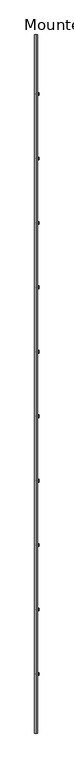
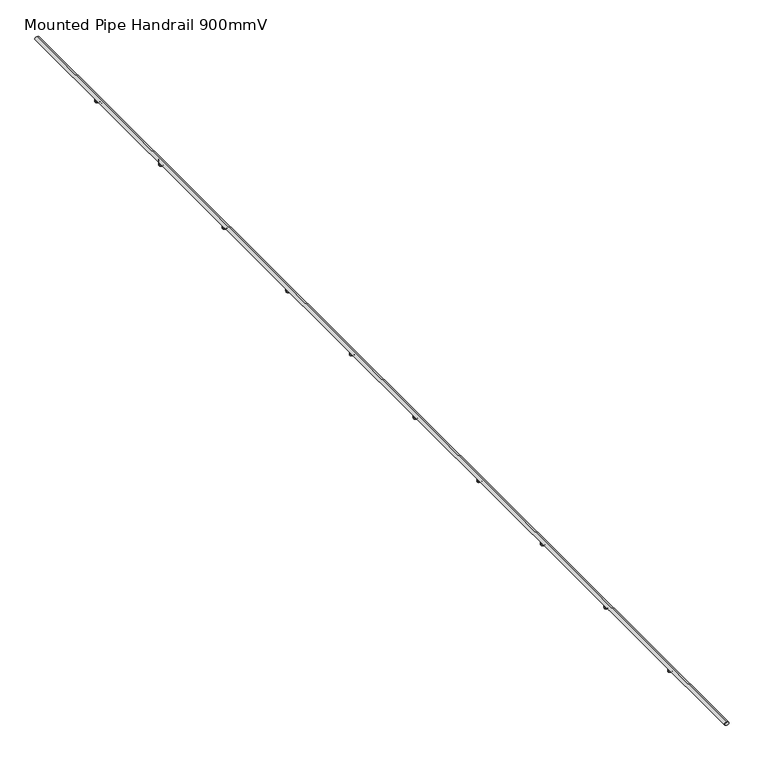
"""IFC4 building model written with IfcOpenShell, lengths in millimetres: railing geometry, Mounted Pipe Handrail 900mmV."""

from ifc_helpers import new_model, si_unit, point, frame, frame_2d, origin, place, context, project, spatial, circle_curve, ellipse_curve, trimmed, segment, composite_curve, outline, extrude, source, transform, mapped, element, save
from ifc_brep_helpers import plane_surface, cylinder_surface, revolved_surface, extruded_surface, advanced_brep


def mounted_pipe_handrail_900mmv_3c9dcf91(model_context):
    return source(origin(), model_context, "Body", "SolidModel", [
        advanced_brep(
        [(-13673.1278716, -42074.4215594, 917.5), (-13673.1278716, -42074.4215594, 882.5), (-13673.1278716, -29074.4215594, 917.5), (-13673.1278716, -29074.4215594, 882.5)],
        [
            (0, 1, ellipse_curve(frame((-13673.1278716, -42074.4215594, 900.0), z_axis=(0.0, -1.0, 0.0), x_axis=(0.0, 0.0, -1.0)), 17.5, 25.0)),
            (1, 0, ellipse_curve(frame((-13673.1278716, -42074.4215594, 900.0), z_axis=(0.0, -1.0, 0.0), x_axis=(0.0, 0.0, -1.0)), 17.5, 25.0)),
            (2, 3, ellipse_curve(frame((-13673.1278716, -29074.4215594, 900.0), z_axis=(0.0, 1.0, 0.0), x_axis=(0.0, 0.0, -1.0)), 17.5, 25.0)),
            (3, 2, ellipse_curve(frame((-13673.1278716, -29074.4215594, 900.0), z_axis=(0.0, 1.0, 0.0), x_axis=(0.0, 0.0, -1.0)), 17.5, 25.0)),
            (0, 2),
            (3, 1),
        ],
        [
            plane_surface(frame((-13673.1278716, -42074.4215594, 900.0), z_axis=(0.0, -1.0, 0.0), x_axis=(0.0, 0.0, 1.0))),
            plane_surface(frame((-13673.1278716, -29074.4215594, 900.0), z_axis=(0.0, 1.0, 0.0), x_axis=(0.0, 0.0, 1.0))),
            extruded_surface(trimmed(ellipse_curve(frame((-13673.1278716, -29074.4215594, 900.0), z_axis=(0.0, -1.0, 0.0), x_axis=(0.0, 0.0, -1.0)), 17.5, 25.0), [point((-13673.1278716, -29074.4215594, 917.5))], [point((-13673.1278716, -29074.4215594, 882.5))], True, "CARTESIAN"), (0.0, -12999.999999999996, 0.0), 12999.999999999996),
            extruded_surface(trimmed(ellipse_curve(frame((-13673.1278716, -29074.4215594, 900.0), z_axis=(0.0, -1.0, 0.0), x_axis=(0.0, 0.0, -1.0)), 17.5, 25.0), [point((-13673.1278716, -29074.4215594, 882.5))], [point((-13673.1278716, -29074.4215594, 917.5))], True, "CARTESIAN"), (0.0, -12999.999999999996, 0.0), 12999.999999999996),
        ],
        [
            (0, [[1, 2]]),
            (1, [[3, 4]]),
            (2, [[-1, 5, -4, 6]]),
            (3, [[-2, -6, -3, -5]]),
        ],
    ),
        advanced_brep(
        [(-13673.1278716, -30180.7715594, 900.95), (-13673.1278716, -30168.0715594, 900.95), (-13673.1278716, -30180.7715594, 843.8), (-13673.1278716, -30168.0715594, 843.8), (-13654.0778716, -30168.0715594, 824.75), (-13654.0778716, -30180.7715594, 824.75), (-13625.5028716, -30180.7715594, 824.75), (-13625.5028716, -30168.0715594, 824.75)],
        [
            (0, 1, circle_curve(frame((-13673.1278716, -30174.4215594, 900.95), z_axis=(0.0, 0.0, 1.0), x_axis=(0.0, 1.0, 0.0)), 6.35)),
            (1, 0, circle_curve(frame((-13673.1278716, -30174.4215594, 900.95), z_axis=(0.0, 0.0, 1.0), x_axis=(0.0, 1.0, 0.0)), 6.35)),
            (0, 2),
            (2, 3, circle_curve(frame((-13673.1278716, -30174.4215594, 843.8), z_axis=(0.0, 0.0, 1.0), x_axis=(0.0, 1.0, 0.0)), 6.35)),
            (3, 1),
            (3, 2, circle_curve(frame((-13673.1278716, -30174.4215594, 843.8), z_axis=(0.0, 0.0, 1.0), x_axis=(0.0, 1.0, 0.0)), 6.35)),
            (4, 3, circle_curve(frame((-13654.0778716, -30168.0715594, 843.8), z_axis=(0.0, 1.0, 0.0), x_axis=(-1.0, 0.0, 0.0)), 19.05)),
            (2, 5, circle_curve(frame((-13654.0778716, -30180.7715594, 843.8), z_axis=(0.0, -1.0, 0.0), x_axis=(-1.0, 0.0, 0.0)), 19.05)),
            (5, 4, circle_curve(frame((-13654.0778716, -30174.4215594, 824.75), z_axis=(-1.0, 0.0, 0.0), x_axis=(0.0, 1.0, 0.0)), 6.35)),
            (4, 5, circle_curve(frame((-13654.0778716, -30174.4215594, 824.75), z_axis=(-1.0, 0.0, 0.0), x_axis=(0.0, 1.0, 0.0)), 6.35)),
            (6, 7, circle_curve(frame((-13625.5028716, -30174.4215594, 824.75), z_axis=(1.0, 0.0, 0.0), x_axis=(0.0, 1.0, 0.0)), 6.35)),
            (7, 6, circle_curve(frame((-13625.5028716, -30174.4215594, 824.75), z_axis=(1.0, 0.0, 0.0), x_axis=(0.0, 1.0, 0.0)), 6.35)),
            (5, 6),
            (7, 4),
        ],
        [
            plane_surface(frame((-13673.1278716, -30168.0715594, 900.95), z_axis=(0.0, 0.0, 1.0), x_axis=(1.0, 0.0, 0.0))),
            cylinder_surface(frame((-13673.1278716, -30174.4215594, 900.95), z_axis=(0.0, 0.0, 1.0), x_axis=(0.0, 1.0, 0.0)), 6.35),
            revolved_surface(trimmed(ellipse_curve(frame((-13673.1278716, -30174.4215594, 843.8), z_axis=(0.0, 0.0, 1.0), x_axis=(0.0, 1.0, 0.0)), 6.35, 6.35), [point((-13673.1278716, -30180.7715594, 843.8))], [point((-13673.1278716, -30168.0715594, 843.8))], True, "CARTESIAN"), (-13654.0778716, -30174.4215594, 843.8), (0.0, -1.0, 0.0)),
            revolved_surface(trimmed(ellipse_curve(frame((-13673.1278716, -30174.4215594, 843.8), z_axis=(0.0, 0.0, 1.0), x_axis=(0.0, 1.0, 0.0)), 6.35, 6.35), [point((-13673.1278716, -30168.0715594, 843.8))], [point((-13673.1278716, -30180.7715594, 843.8))], True, "CARTESIAN"), (-13654.0778716, -30174.4215594, 843.8), (0.0, -1.0, 0.0)),
            plane_surface(frame((-13625.5028716, -30174.4215594, 818.4), z_axis=(1.0, 0.0, 0.0), x_axis=(0.0, 1.0, 0.0))),
            cylinder_surface(frame((-13654.0778716, -30174.4215594, 824.75), z_axis=(-1.0, 0.0, 0.0), x_axis=(0.0, 1.0, 0.0)), 6.35),
        ],
        [
            (0, [[1, 2]]),
            (1, [[-1, 3, 4, 5]]),
            (1, [[-2, -5, 6, -3]]),
            (2, [[7, -4, 8, 9]]),
            (3, [[-8, -6, -7, 10]]),
            (4, [[11, 12]]),
            (5, [[-9, 13, -12, 14]]),
            (5, [[-10, -14, -11, -13]]),
        ],
    ),
        extrude(outline(composite_curve([segment(trimmed(circle_curve(frame_2d((-30174.4215594, 824.75)), 25.4), [point((-30149.0215594, 824.75))], [point((-30199.8215594, 824.75))], False, "CARTESIAN"), True, "CONTINUOUS"), segment(trimmed(circle_curve(frame_2d((-30174.4215594, 824.75)), 25.4), [point((-30199.8215594, 824.75))], [point((-30149.0215594, 824.75))], False, "CARTESIAN"), True, "CONTINUOUS")], self_intersect=False)), frame((-13625.5028716, 0.0, 0.0), z_axis=(1.0, 0.0, 0.0), x_axis=(0.0, 1.0, 0.0)), (0.0, 0.0, 1.0), 9.525),
        advanced_brep(
        [(-13673.1278716, -31380.7715594, 900.95), (-13673.1278716, -31368.0715594, 900.95), (-13673.1278716, -31380.7715594, 843.8), (-13673.1278716, -31368.0715594, 843.8), (-13654.0778716, -31368.0715594, 824.75), (-13654.0778716, -31380.7715594, 824.75), (-13625.5028716, -31380.7715594, 824.75), (-13625.5028716, -31368.0715594, 824.75)],
        [
            (0, 1, circle_curve(frame((-13673.1278716, -31374.4215594, 900.95), z_axis=(0.0, 0.0, 1.0), x_axis=(0.0, 1.0, 0.0)), 6.35)),
            (1, 0, circle_curve(frame((-13673.1278716, -31374.4215594, 900.95), z_axis=(0.0, 0.0, 1.0), x_axis=(0.0, 1.0, 0.0)), 6.35)),
            (0, 2),
            (2, 3, circle_curve(frame((-13673.1278716, -31374.4215594, 843.8), z_axis=(0.0, 0.0, 1.0), x_axis=(0.0, 1.0, 0.0)), 6.35)),
            (3, 1),
            (3, 2, circle_curve(frame((-13673.1278716, -31374.4215594, 843.8), z_axis=(0.0, 0.0, 1.0), x_axis=(0.0, 1.0, 0.0)), 6.35)),
            (4, 3, circle_curve(frame((-13654.0778716, -31368.0715594, 843.8), z_axis=(0.0, 1.0, 0.0), x_axis=(-1.0, 0.0, 0.0)), 19.05)),
            (2, 5, circle_curve(frame((-13654.0778716, -31380.7715594, 843.8), z_axis=(0.0, -1.0, 0.0), x_axis=(-1.0, 0.0, 0.0)), 19.05)),
            (5, 4, circle_curve(frame((-13654.0778716, -31374.4215594, 824.75), z_axis=(-1.0, 0.0, 0.0), x_axis=(0.0, 1.0, 0.0)), 6.35)),
            (4, 5, circle_curve(frame((-13654.0778716, -31374.4215594, 824.75), z_axis=(-1.0, 0.0, 0.0), x_axis=(0.0, 1.0, 0.0)), 6.35)),
            (6, 7, circle_curve(frame((-13625.5028716, -31374.4215594, 824.75), z_axis=(1.0, 0.0, 0.0), x_axis=(0.0, 1.0, 0.0)), 6.35)),
            (7, 6, circle_curve(frame((-13625.5028716, -31374.4215594, 824.75), z_axis=(1.0, 0.0, 0.0), x_axis=(0.0, 1.0, 0.0)), 6.35)),
            (5, 6),
            (7, 4),
        ],
        [
            plane_surface(frame((-13673.1278716, -31368.0715594, 900.95), z_axis=(0.0, 0.0, 1.0), x_axis=(1.0, 0.0, 0.0))),
            cylinder_surface(frame((-13673.1278716, -31374.4215594, 900.95), z_axis=(0.0, 0.0, 1.0), x_axis=(0.0, 1.0, 0.0)), 6.35),
            revolved_surface(trimmed(ellipse_curve(frame((-13673.1278716, -31374.4215594, 843.8), z_axis=(0.0, 0.0, 1.0), x_axis=(0.0, 1.0, 0.0)), 6.35, 6.35), [point((-13673.1278716, -31380.7715594, 843.8))], [point((-13673.1278716, -31368.0715594, 843.8))], True, "CARTESIAN"), (-13654.0778716, -31374.4215594, 843.8), (0.0, -1.0, 0.0)),
            revolved_surface(trimmed(ellipse_curve(frame((-13673.1278716, -31374.4215594, 843.8), z_axis=(0.0, 0.0, 1.0), x_axis=(0.0, 1.0, 0.0)), 6.35, 6.35), [point((-13673.1278716, -31368.0715594, 843.8))], [point((-13673.1278716, -31380.7715594, 843.8))], True, "CARTESIAN"), (-13654.0778716, -31374.4215594, 843.8), (0.0, -1.0, 0.0)),
            plane_surface(frame((-13625.5028716, -31374.4215594, 818.4), z_axis=(1.0, 0.0, 0.0), x_axis=(0.0, 1.0, 0.0))),
            cylinder_surface(frame((-13654.0778716, -31374.4215594, 824.75), z_axis=(-1.0, 0.0, 0.0), x_axis=(0.0, 1.0, 0.0)), 6.35),
        ],
        [
            (0, [[1, 2]]),
            (1, [[-1, 3, 4, 5]]),
            (1, [[-2, -5, 6, -3]]),
            (2, [[7, -4, 8, 9]]),
            (3, [[-8, -6, -7, 10]]),
            (4, [[11, 12]]),
            (5, [[-9, 13, -12, 14]]),
            (5, [[-10, -14, -11, -13]]),
        ],
    ),
        extrude(outline(composite_curve([segment(trimmed(circle_curve(frame_2d((-31374.4215594, 824.75)), 25.4), [point((-31349.0215594, 824.75))], [point((-31399.8215594, 824.75))], False, "CARTESIAN"), True, "CONTINUOUS"), segment(trimmed(circle_curve(frame_2d((-31374.4215594, 824.75)), 25.4), [point((-31399.8215594, 824.75))], [point((-31349.0215594, 824.75))], False, "CARTESIAN"), True, "CONTINUOUS")], self_intersect=False)), frame((-13625.5028716, 0.0, 0.0), z_axis=(1.0, 0.0, 0.0), x_axis=(0.0, 1.0, 0.0)), (0.0, 0.0, 1.0), 9.525),
        advanced_brep(
        [(-13673.1278716, -32580.7715594, 900.95), (-13673.1278716, -32568.0715594, 900.95), (-13673.1278716, -32580.7715594, 843.8), (-13673.1278716, -32568.0715594, 843.8), (-13654.0778716, -32568.0715594, 824.75), (-13654.0778716, -32580.7715594, 824.75), (-13625.5028716, -32580.7715594, 824.75), (-13625.5028716, -32568.0715594, 824.75)],
        [
            (0, 1, circle_curve(frame((-13673.1278716, -32574.4215594, 900.95), z_axis=(0.0, 0.0, 1.0), x_axis=(0.0, 1.0, 0.0)), 6.35)),
            (1, 0, circle_curve(frame((-13673.1278716, -32574.4215594, 900.95), z_axis=(0.0, 0.0, 1.0), x_axis=(0.0, 1.0, 0.0)), 6.35)),
            (0, 2),
            (2, 3, circle_curve(frame((-13673.1278716, -32574.4215594, 843.8), z_axis=(0.0, 0.0, 1.0), x_axis=(0.0, 1.0, 0.0)), 6.35)),
            (3, 1),
            (3, 2, circle_curve(frame((-13673.1278716, -32574.4215594, 843.8), z_axis=(0.0, 0.0, 1.0), x_axis=(0.0, 1.0, 0.0)), 6.35)),
            (4, 3, circle_curve(frame((-13654.0778716, -32568.0715594, 843.8), z_axis=(0.0, 1.0, 0.0), x_axis=(-1.0, 0.0, 0.0)), 19.05)),
            (2, 5, circle_curve(frame((-13654.0778716, -32580.7715594, 843.8), z_axis=(0.0, -1.0, 0.0), x_axis=(-1.0, 0.0, 0.0)), 19.05)),
            (5, 4, circle_curve(frame((-13654.0778716, -32574.4215594, 824.75), z_axis=(-1.0, 0.0, 0.0), x_axis=(0.0, 1.0, 0.0)), 6.35)),
            (4, 5, circle_curve(frame((-13654.0778716, -32574.4215594, 824.75), z_axis=(-1.0, 0.0, 0.0), x_axis=(0.0, 1.0, 0.0)), 6.35)),
            (6, 7, circle_curve(frame((-13625.5028716, -32574.4215594, 824.75), z_axis=(1.0, 0.0, 0.0), x_axis=(0.0, 1.0, 0.0)), 6.35)),
            (7, 6, circle_curve(frame((-13625.5028716, -32574.4215594, 824.75), z_axis=(1.0, 0.0, 0.0), x_axis=(0.0, 1.0, 0.0)), 6.35)),
            (5, 6),
            (7, 4),
        ],
        [
            plane_surface(frame((-13673.1278716, -32568.0715594, 900.95), z_axis=(0.0, 0.0, 1.0), x_axis=(1.0, 0.0, 0.0))),
            cylinder_surface(frame((-13673.1278716, -32574.4215594, 900.95), z_axis=(0.0, 0.0, 1.0), x_axis=(0.0, 1.0, 0.0)), 6.35),
            revolved_surface(trimmed(ellipse_curve(frame((-13673.1278716, -32574.4215594, 843.8), z_axis=(0.0, 0.0, 1.0), x_axis=(0.0, 1.0, 0.0)), 6.35, 6.35), [point((-13673.1278716, -32580.7715594, 843.8))], [point((-13673.1278716, -32568.0715594, 843.8))], True, "CARTESIAN"), (-13654.0778716, -32574.4215594, 843.8), (0.0, -1.0, 0.0)),
            revolved_surface(trimmed(ellipse_curve(frame((-13673.1278716, -32574.4215594, 843.8), z_axis=(0.0, 0.0, 1.0), x_axis=(0.0, 1.0, 0.0)), 6.35, 6.35), [point((-13673.1278716, -32568.0715594, 843.8))], [point((-13673.1278716, -32580.7715594, 843.8))], True, "CARTESIAN"), (-13654.0778716, -32574.4215594, 843.8), (0.0, -1.0, 0.0)),
            plane_surface(frame((-13625.5028716, -32574.4215594, 818.4), z_axis=(1.0, 0.0, 0.0), x_axis=(0.0, 1.0, 0.0))),
            cylinder_surface(frame((-13654.0778716, -32574.4215594, 824.75), z_axis=(-1.0, 0.0, 0.0), x_axis=(0.0, 1.0, 0.0)), 6.35),
        ],
        [
            (0, [[1, 2]]),
            (1, [[-1, 3, 4, 5]]),
            (1, [[-2, -5, 6, -3]]),
            (2, [[7, -4, 8, 9]]),
            (3, [[-8, -6, -7, 10]]),
            (4, [[11, 12]]),
            (5, [[-9, 13, -12, 14]]),
            (5, [[-10, -14, -11, -13]]),
        ],
    ),
        extrude(outline(composite_curve([segment(trimmed(circle_curve(frame_2d((-32574.4215594, 824.75)), 25.4), [point((-32549.0215594, 824.75))], [point((-32599.8215594, 824.75))], False, "CARTESIAN"), True, "CONTINUOUS"), segment(trimmed(circle_curve(frame_2d((-32574.4215594, 824.75)), 25.4), [point((-32599.8215594, 824.75))], [point((-32549.0215594, 824.75))], False, "CARTESIAN"), True, "CONTINUOUS")], self_intersect=False)), frame((-13625.5028716, 0.0, 0.0), z_axis=(1.0, 0.0, 0.0), x_axis=(0.0, 1.0, 0.0)), (0.0, 0.0, 1.0), 9.525),
        advanced_brep(
        [(-13673.1278716, -33780.7715594, 900.95), (-13673.1278716, -33768.0715594, 900.95), (-13673.1278716, -33780.7715594, 843.8), (-13673.1278716, -33768.0715594, 843.8), (-13654.0778716, -33768.0715594, 824.75), (-13654.0778716, -33780.7715594, 824.75), (-13625.5028716, -33780.7715594, 824.75), (-13625.5028716, -33768.0715594, 824.75)],
        [
            (0, 1, circle_curve(frame((-13673.1278716, -33774.4215594, 900.95), z_axis=(0.0, 0.0, 1.0), x_axis=(0.0, 1.0, 0.0)), 6.35)),
            (1, 0, circle_curve(frame((-13673.1278716, -33774.4215594, 900.95), z_axis=(0.0, 0.0, 1.0), x_axis=(0.0, 1.0, 0.0)), 6.35)),
            (0, 2),
            (2, 3, circle_curve(frame((-13673.1278716, -33774.4215594, 843.8), z_axis=(0.0, 0.0, 1.0), x_axis=(0.0, 1.0, 0.0)), 6.35)),
            (3, 1),
            (3, 2, circle_curve(frame((-13673.1278716, -33774.4215594, 843.8), z_axis=(0.0, 0.0, 1.0), x_axis=(0.0, 1.0, 0.0)), 6.35)),
            (4, 3, circle_curve(frame((-13654.0778716, -33768.0715594, 843.8), z_axis=(0.0, 1.0, 0.0), x_axis=(-1.0, 0.0, 0.0)), 19.05)),
            (2, 5, circle_curve(frame((-13654.0778716, -33780.7715594, 843.8), z_axis=(0.0, -1.0, 0.0), x_axis=(-1.0, 0.0, 0.0)), 19.05)),
            (5, 4, circle_curve(frame((-13654.0778716, -33774.4215594, 824.75), z_axis=(-1.0, 0.0, 0.0), x_axis=(0.0, 1.0, 0.0)), 6.35)),
            (4, 5, circle_curve(frame((-13654.0778716, -33774.4215594, 824.75), z_axis=(-1.0, 0.0, 0.0), x_axis=(0.0, 1.0, 0.0)), 6.35)),
            (6, 7, circle_curve(frame((-13625.5028716, -33774.4215594, 824.75), z_axis=(1.0, 0.0, 0.0), x_axis=(0.0, 1.0, 0.0)), 6.35)),
            (7, 6, circle_curve(frame((-13625.5028716, -33774.4215594, 824.75), z_axis=(1.0, 0.0, 0.0), x_axis=(0.0, 1.0, 0.0)), 6.35)),
            (5, 6),
            (7, 4),
        ],
        [
            plane_surface(frame((-13673.1278716, -33768.0715594, 900.95), z_axis=(0.0, 0.0, 1.0), x_axis=(1.0, 0.0, 0.0))),
            cylinder_surface(frame((-13673.1278716, -33774.4215594, 900.95), z_axis=(0.0, 0.0, 1.0), x_axis=(0.0, 1.0, 0.0)), 6.35),
            revolved_surface(trimmed(ellipse_curve(frame((-13673.1278716, -33774.4215594, 843.8), z_axis=(0.0, 0.0, 1.0), x_axis=(0.0, 1.0, 0.0)), 6.35, 6.35), [point((-13673.1278716, -33780.7715594, 843.8))], [point((-13673.1278716, -33768.0715594, 843.8))], True, "CARTESIAN"), (-13654.0778716, -33774.4215594, 843.8), (0.0, -1.0, 0.0)),
            revolved_surface(trimmed(ellipse_curve(frame((-13673.1278716, -33774.4215594, 843.8), z_axis=(0.0, 0.0, 1.0), x_axis=(0.0, 1.0, 0.0)), 6.35, 6.35), [point((-13673.1278716, -33768.0715594, 843.8))], [point((-13673.1278716, -33780.7715594, 843.8))], True, "CARTESIAN"), (-13654.0778716, -33774.4215594, 843.8), (0.0, -1.0, 0.0)),
            plane_surface(frame((-13625.5028716, -33774.4215594, 818.4), z_axis=(1.0, 0.0, 0.0), x_axis=(0.0, 1.0, 0.0))),
            cylinder_surface(frame((-13654.0778716, -33774.4215594, 824.75), z_axis=(-1.0, 0.0, 0.0), x_axis=(0.0, 1.0, 0.0)), 6.35),
        ],
        [
            (0, [[1, 2]]),
            (1, [[-1, 3, 4, 5]]),
            (1, [[-2, -5, 6, -3]]),
            (2, [[7, -4, 8, 9]]),
            (3, [[-8, -6, -7, 10]]),
            (4, [[11, 12]]),
            (5, [[-9, 13, -12, 14]]),
            (5, [[-10, -14, -11, -13]]),
        ],
    ),
        extrude(outline(composite_curve([segment(trimmed(circle_curve(frame_2d((-33774.4215594, 824.75)), 25.4), [point((-33749.0215594, 824.75))], [point((-33799.8215594, 824.75))], False, "CARTESIAN"), True, "CONTINUOUS"), segment(trimmed(circle_curve(frame_2d((-33774.4215594, 824.75)), 25.4), [point((-33799.8215594, 824.75))], [point((-33749.0215594, 824.75))], False, "CARTESIAN"), True, "CONTINUOUS")], self_intersect=False)), frame((-13625.5028716, 0.0, 0.0), z_axis=(1.0, 0.0, 0.0), x_axis=(0.0, 1.0, 0.0)), (0.0, 0.0, 1.0), 9.525),
        advanced_brep(
        [(-13673.1278716, -34980.7715594, 900.95), (-13673.1278716, -34968.0715594, 900.95), (-13673.1278716, -34980.7715594, 843.8), (-13673.1278716, -34968.0715594, 843.8), (-13654.0778716, -34968.0715594, 824.75), (-13654.0778716, -34980.7715594, 824.75), (-13625.5028716, -34980.7715594, 824.75), (-13625.5028716, -34968.0715594, 824.75)],
        [
            (0, 1, circle_curve(frame((-13673.1278716, -34974.4215594, 900.95), z_axis=(0.0, 0.0, 1.0), x_axis=(0.0, 1.0, 0.0)), 6.35)),
            (1, 0, circle_curve(frame((-13673.1278716, -34974.4215594, 900.95), z_axis=(0.0, 0.0, 1.0), x_axis=(0.0, 1.0, 0.0)), 6.35)),
            (0, 2),
            (2, 3, circle_curve(frame((-13673.1278716, -34974.4215594, 843.8), z_axis=(0.0, 0.0, 1.0), x_axis=(0.0, 1.0, 0.0)), 6.35)),
            (3, 1),
            (3, 2, circle_curve(frame((-13673.1278716, -34974.4215594, 843.8), z_axis=(0.0, 0.0, 1.0), x_axis=(0.0, 1.0, 0.0)), 6.35)),
            (4, 3, circle_curve(frame((-13654.0778716, -34968.0715594, 843.8), z_axis=(0.0, 1.0, 0.0), x_axis=(-1.0, 0.0, 0.0)), 19.05)),
            (2, 5, circle_curve(frame((-13654.0778716, -34980.7715594, 843.8), z_axis=(0.0, -1.0, 0.0), x_axis=(-1.0, 0.0, 0.0)), 19.05)),
            (5, 4, circle_curve(frame((-13654.0778716, -34974.4215594, 824.75), z_axis=(-1.0, 0.0, 0.0), x_axis=(0.0, 1.0, 0.0)), 6.35)),
            (4, 5, circle_curve(frame((-13654.0778716, -34974.4215594, 824.75), z_axis=(-1.0, 0.0, 0.0), x_axis=(0.0, 1.0, 0.0)), 6.35)),
            (6, 7, circle_curve(frame((-13625.5028716, -34974.4215594, 824.75), z_axis=(1.0, 0.0, 0.0), x_axis=(0.0, 1.0, 0.0)), 6.35)),
            (7, 6, circle_curve(frame((-13625.5028716, -34974.4215594, 824.75), z_axis=(1.0, 0.0, 0.0), x_axis=(0.0, 1.0, 0.0)), 6.35)),
            (5, 6),
            (7, 4),
        ],
        [
            plane_surface(frame((-13673.1278716, -34968.0715594, 900.95), z_axis=(0.0, 0.0, 1.0), x_axis=(1.0, 0.0, 0.0))),
            cylinder_surface(frame((-13673.1278716, -34974.4215594, 900.95), z_axis=(0.0, 0.0, 1.0), x_axis=(0.0, 1.0, 0.0)), 6.35),
            revolved_surface(trimmed(ellipse_curve(frame((-13673.1278716, -34974.4215594, 843.8), z_axis=(0.0, 0.0, 1.0), x_axis=(0.0, 1.0, 0.0)), 6.35, 6.35), [point((-13673.1278716, -34980.7715594, 843.8))], [point((-13673.1278716, -34968.0715594, 843.8))], True, "CARTESIAN"), (-13654.0778716, -34974.4215594, 843.8), (0.0, -1.0, 0.0)),
            revolved_surface(trimmed(ellipse_curve(frame((-13673.1278716, -34974.4215594, 843.8), z_axis=(0.0, 0.0, 1.0), x_axis=(0.0, 1.0, 0.0)), 6.35, 6.35), [point((-13673.1278716, -34968.0715594, 843.8))], [point((-13673.1278716, -34980.7715594, 843.8))], True, "CARTESIAN"), (-13654.0778716, -34974.4215594, 843.8), (0.0, -1.0, 0.0)),
            plane_surface(frame((-13625.5028716, -34974.4215594, 818.4), z_axis=(1.0, 0.0, 0.0), x_axis=(0.0, 1.0, 0.0))),
            cylinder_surface(frame((-13654.0778716, -34974.4215594, 824.75), z_axis=(-1.0, 0.0, 0.0), x_axis=(0.0, 1.0, 0.0)), 6.35),
        ],
        [
            (0, [[1, 2]]),
            (1, [[-1, 3, 4, 5]]),
            (1, [[-2, -5, 6, -3]]),
            (2, [[7, -4, 8, 9]]),
            (3, [[-8, -6, -7, 10]]),
            (4, [[11, 12]]),
            (5, [[-9, 13, -12, 14]]),
            (5, [[-10, -14, -11, -13]]),
        ],
    ),
        extrude(outline(composite_curve([segment(trimmed(circle_curve(frame_2d((-34974.4215594, 824.75)), 25.4), [point((-34949.0215594, 824.75))], [point((-34999.8215594, 824.75))], False, "CARTESIAN"), True, "CONTINUOUS"), segment(trimmed(circle_curve(frame_2d((-34974.4215594, 824.75)), 25.4), [point((-34999.8215594, 824.75))], [point((-34949.0215594, 824.75))], False, "CARTESIAN"), True, "CONTINUOUS")], self_intersect=False)), frame((-13625.5028716, 0.0, 0.0), z_axis=(1.0, 0.0, 0.0), x_axis=(0.0, 1.0, 0.0)), (0.0, 0.0, 1.0), 9.525),
        advanced_brep(
        [(-13673.1278716, -36180.7715594, 900.95), (-13673.1278716, -36168.0715594, 900.95), (-13673.1278716, -36180.7715594, 843.8), (-13673.1278716, -36168.0715594, 843.8), (-13654.0778716, -36168.0715594, 824.75), (-13654.0778716, -36180.7715594, 824.75), (-13625.5028716, -36180.7715594, 824.75), (-13625.5028716, -36168.0715594, 824.75)],
        [
            (0, 1, circle_curve(frame((-13673.1278716, -36174.4215594, 900.95), z_axis=(0.0, 0.0, 1.0), x_axis=(0.0, 1.0, 0.0)), 6.35)),
            (1, 0, circle_curve(frame((-13673.1278716, -36174.4215594, 900.95), z_axis=(0.0, 0.0, 1.0), x_axis=(0.0, 1.0, 0.0)), 6.35)),
            (0, 2),
            (2, 3, circle_curve(frame((-13673.1278716, -36174.4215594, 843.8), z_axis=(0.0, 0.0, 1.0), x_axis=(0.0, 1.0, 0.0)), 6.35)),
            (3, 1),
            (3, 2, circle_curve(frame((-13673.1278716, -36174.4215594, 843.8), z_axis=(0.0, 0.0, 1.0), x_axis=(0.0, 1.0, 0.0)), 6.35)),
            (4, 3, circle_curve(frame((-13654.0778716, -36168.0715594, 843.8), z_axis=(0.0, 1.0, 0.0), x_axis=(-1.0, 0.0, 0.0)), 19.05)),
            (2, 5, circle_curve(frame((-13654.0778716, -36180.7715594, 843.8), z_axis=(0.0, -1.0, 0.0), x_axis=(-1.0, 0.0, 0.0)), 19.05)),
            (5, 4, circle_curve(frame((-13654.0778716, -36174.4215594, 824.75), z_axis=(-1.0, 0.0, 0.0), x_axis=(0.0, 1.0, 0.0)), 6.35)),
            (4, 5, circle_curve(frame((-13654.0778716, -36174.4215594, 824.75), z_axis=(-1.0, 0.0, 0.0), x_axis=(0.0, 1.0, 0.0)), 6.35)),
            (6, 7, circle_curve(frame((-13625.5028716, -36174.4215594, 824.75), z_axis=(1.0, 0.0, 0.0), x_axis=(0.0, 1.0, 0.0)), 6.35)),
            (7, 6, circle_curve(frame((-13625.5028716, -36174.4215594, 824.75), z_axis=(1.0, 0.0, 0.0), x_axis=(0.0, 1.0, 0.0)), 6.35)),
            (5, 6),
            (7, 4),
        ],
        [
            plane_surface(frame((-13673.1278716, -36168.0715594, 900.95), z_axis=(0.0, 0.0, 1.0), x_axis=(1.0, 0.0, 0.0))),
            cylinder_surface(frame((-13673.1278716, -36174.4215594, 900.95), z_axis=(0.0, 0.0, 1.0), x_axis=(0.0, 1.0, 0.0)), 6.35),
            revolved_surface(trimmed(ellipse_curve(frame((-13673.1278716, -36174.4215594, 843.8), z_axis=(0.0, 0.0, 1.0), x_axis=(0.0, 1.0, 0.0)), 6.35, 6.35), [point((-13673.1278716, -36180.7715594, 843.8))], [point((-13673.1278716, -36168.0715594, 843.8))], True, "CARTESIAN"), (-13654.0778716, -36174.4215594, 843.8), (0.0, -1.0, 0.0)),
            revolved_surface(trimmed(ellipse_curve(frame((-13673.1278716, -36174.4215594, 843.8), z_axis=(0.0, 0.0, 1.0), x_axis=(0.0, 1.0, 0.0)), 6.35, 6.35), [point((-13673.1278716, -36168.0715594, 843.8))], [point((-13673.1278716, -36180.7715594, 843.8))], True, "CARTESIAN"), (-13654.0778716, -36174.4215594, 843.8), (0.0, -1.0, 0.0)),
            plane_surface(frame((-13625.5028716, -36174.4215594, 818.4), z_axis=(1.0, 0.0, 0.0), x_axis=(0.0, 1.0, 0.0))),
            cylinder_surface(frame((-13654.0778716, -36174.4215594, 824.75), z_axis=(-1.0, 0.0, 0.0), x_axis=(0.0, 1.0, 0.0)), 6.35),
        ],
        [
            (0, [[1, 2]]),
            (1, [[-1, 3, 4, 5]]),
            (1, [[-2, -5, 6, -3]]),
            (2, [[7, -4, 8, 9]]),
            (3, [[-8, -6, -7, 10]]),
            (4, [[11, 12]]),
            (5, [[-9, 13, -12, 14]]),
            (5, [[-10, -14, -11, -13]]),
        ],
    ),
        extrude(outline(composite_curve([segment(trimmed(circle_curve(frame_2d((-36174.4215594, 824.75)), 25.4), [point((-36149.0215594, 824.75))], [point((-36199.8215594, 824.75))], False, "CARTESIAN"), True, "CONTINUOUS"), segment(trimmed(circle_curve(frame_2d((-36174.4215594, 824.75)), 25.4), [point((-36199.8215594, 824.75))], [point((-36149.0215594, 824.75))], False, "CARTESIAN"), True, "CONTINUOUS")], self_intersect=False)), frame((-13625.5028716, 0.0, 0.0), z_axis=(1.0, 0.0, 0.0), x_axis=(0.0, 1.0, 0.0)), (0.0, 0.0, 1.0), 9.525),
        advanced_brep(
        [(-13673.1278716, -37380.7715594, 900.95), (-13673.1278716, -37368.0715594, 900.95), (-13673.1278716, -37380.7715594, 843.8), (-13673.1278716, -37368.0715594, 843.8), (-13654.0778716, -37368.0715594, 824.75), (-13654.0778716, -37380.7715594, 824.75), (-13625.5028716, -37380.7715594, 824.75), (-13625.5028716, -37368.0715594, 824.75)],
        [
            (0, 1, circle_curve(frame((-13673.1278716, -37374.4215594, 900.95), z_axis=(0.0, 0.0, 1.0), x_axis=(0.0, 1.0, 0.0)), 6.35)),
            (1, 0, circle_curve(frame((-13673.1278716, -37374.4215594, 900.95), z_axis=(0.0, 0.0, 1.0), x_axis=(0.0, 1.0, 0.0)), 6.35)),
            (0, 2),
            (2, 3, circle_curve(frame((-13673.1278716, -37374.4215594, 843.8), z_axis=(0.0, 0.0, 1.0), x_axis=(0.0, 1.0, 0.0)), 6.35)),
            (3, 1),
            (3, 2, circle_curve(frame((-13673.1278716, -37374.4215594, 843.8), z_axis=(0.0, 0.0, 1.0), x_axis=(0.0, 1.0, 0.0)), 6.35)),
            (4, 3, circle_curve(frame((-13654.0778716, -37368.0715594, 843.8), z_axis=(0.0, 1.0, 0.0), x_axis=(-1.0, 0.0, 0.0)), 19.05)),
            (2, 5, circle_curve(frame((-13654.0778716, -37380.7715594, 843.8), z_axis=(0.0, -1.0, 0.0), x_axis=(-1.0, 0.0, 0.0)), 19.05)),
            (5, 4, circle_curve(frame((-13654.0778716, -37374.4215594, 824.75), z_axis=(-1.0, 0.0, 0.0), x_axis=(0.0, 1.0, 0.0)), 6.35)),
            (4, 5, circle_curve(frame((-13654.0778716, -37374.4215594, 824.75), z_axis=(-1.0, 0.0, 0.0), x_axis=(0.0, 1.0, 0.0)), 6.35)),
            (6, 7, circle_curve(frame((-13625.5028716, -37374.4215594, 824.75), z_axis=(1.0, 0.0, 0.0), x_axis=(0.0, 1.0, 0.0)), 6.35)),
            (7, 6, circle_curve(frame((-13625.5028716, -37374.4215594, 824.75), z_axis=(1.0, 0.0, 0.0), x_axis=(0.0, 1.0, 0.0)), 6.35)),
            (5, 6),
            (7, 4),
        ],
        [
            plane_surface(frame((-13673.1278716, -37368.0715594, 900.95), z_axis=(0.0, 0.0, 1.0), x_axis=(1.0, 0.0, 0.0))),
            cylinder_surface(frame((-13673.1278716, -37374.4215594, 900.95), z_axis=(0.0, 0.0, 1.0), x_axis=(0.0, 1.0, 0.0)), 6.35),
            revolved_surface(trimmed(ellipse_curve(frame((-13673.1278716, -37374.4215594, 843.8), z_axis=(0.0, 0.0, 1.0), x_axis=(0.0, 1.0, 0.0)), 6.35, 6.35), [point((-13673.1278716, -37380.7715594, 843.8))], [point((-13673.1278716, -37368.0715594, 843.8))], True, "CARTESIAN"), (-13654.0778716, -37374.4215594, 843.8), (0.0, -1.0, 0.0)),
            revolved_surface(trimmed(ellipse_curve(frame((-13673.1278716, -37374.4215594, 843.8), z_axis=(0.0, 0.0, 1.0), x_axis=(0.0, 1.0, 0.0)), 6.35, 6.35), [point((-13673.1278716, -37368.0715594, 843.8))], [point((-13673.1278716, -37380.7715594, 843.8))], True, "CARTESIAN"), (-13654.0778716, -37374.4215594, 843.8), (0.0, -1.0, 0.0)),
            plane_surface(frame((-13625.5028716, -37374.4215594, 818.4), z_axis=(1.0, 0.0, 0.0), x_axis=(0.0, 1.0, 0.0))),
            cylinder_surface(frame((-13654.0778716, -37374.4215594, 824.75), z_axis=(-1.0, 0.0, 0.0), x_axis=(0.0, 1.0, 0.0)), 6.35),
        ],
        [
            (0, [[1, 2]]),
            (1, [[-1, 3, 4, 5]]),
            (1, [[-2, -5, 6, -3]]),
            (2, [[7, -4, 8, 9]]),
            (3, [[-8, -6, -7, 10]]),
            (4, [[11, 12]]),
            (5, [[-9, 13, -12, 14]]),
            (5, [[-10, -14, -11, -13]]),
        ],
    ),
        extrude(outline(composite_curve([segment(trimmed(circle_curve(frame_2d((-37374.4215594, 824.75)), 25.4), [point((-37349.0215594, 824.75))], [point((-37399.8215594, 824.75))], False, "CARTESIAN"), True, "CONTINUOUS"), segment(trimmed(circle_curve(frame_2d((-37374.4215594, 824.75)), 25.4), [point((-37399.8215594, 824.75))], [point((-37349.0215594, 824.75))], False, "CARTESIAN"), True, "CONTINUOUS")], self_intersect=False)), frame((-13625.5028716, 0.0, 0.0), z_axis=(1.0, 0.0, 0.0), x_axis=(0.0, 1.0, 0.0)), (0.0, 0.0, 1.0), 9.525),
        advanced_brep(
        [(-13673.1278716, -38580.7715594, 900.95), (-13673.1278716, -38568.0715594, 900.95), (-13673.1278716, -38580.7715594, 843.8), (-13673.1278716, -38568.0715594, 843.8), (-13654.0778716, -38568.0715594, 824.75), (-13654.0778716, -38580.7715594, 824.75), (-13625.5028716, -38580.7715594, 824.75), (-13625.5028716, -38568.0715594, 824.75)],
        [
            (0, 1, circle_curve(frame((-13673.1278716, -38574.4215594, 900.95), z_axis=(0.0, 0.0, 1.0), x_axis=(0.0, 1.0, 0.0)), 6.35)),
            (1, 0, circle_curve(frame((-13673.1278716, -38574.4215594, 900.95), z_axis=(0.0, 0.0, 1.0), x_axis=(0.0, 1.0, 0.0)), 6.35)),
            (0, 2),
            (2, 3, circle_curve(frame((-13673.1278716, -38574.4215594, 843.8), z_axis=(0.0, 0.0, 1.0), x_axis=(0.0, 1.0, 0.0)), 6.35)),
            (3, 1),
            (3, 2, circle_curve(frame((-13673.1278716, -38574.4215594, 843.8), z_axis=(0.0, 0.0, 1.0), x_axis=(0.0, 1.0, 0.0)), 6.35)),
            (4, 3, circle_curve(frame((-13654.0778716, -38568.0715594, 843.8), z_axis=(0.0, 1.0, 0.0), x_axis=(-1.0, 0.0, 0.0)), 19.05)),
            (2, 5, circle_curve(frame((-13654.0778716, -38580.7715594, 843.8), z_axis=(0.0, -1.0, 0.0), x_axis=(-1.0, 0.0, 0.0)), 19.05)),
            (5, 4, circle_curve(frame((-13654.0778716, -38574.4215594, 824.75), z_axis=(-1.0, 0.0, 0.0), x_axis=(0.0, 1.0, 0.0)), 6.35)),
            (4, 5, circle_curve(frame((-13654.0778716, -38574.4215594, 824.75), z_axis=(-1.0, 0.0, 0.0), x_axis=(0.0, 1.0, 0.0)), 6.35)),
            (6, 7, circle_curve(frame((-13625.5028716, -38574.4215594, 824.75), z_axis=(1.0, 0.0, 0.0), x_axis=(0.0, 1.0, 0.0)), 6.35)),
            (7, 6, circle_curve(frame((-13625.5028716, -38574.4215594, 824.75), z_axis=(1.0, 0.0, 0.0), x_axis=(0.0, 1.0, 0.0)), 6.35)),
            (5, 6),
            (7, 4),
        ],
        [
            plane_surface(frame((-13673.1278716, -38568.0715594, 900.95), z_axis=(0.0, 0.0, 1.0), x_axis=(1.0, 0.0, 0.0))),
            cylinder_surface(frame((-13673.1278716, -38574.4215594, 900.95), z_axis=(0.0, 0.0, 1.0), x_axis=(0.0, 1.0, 0.0)), 6.35),
            revolved_surface(trimmed(ellipse_curve(frame((-13673.1278716, -38574.4215594, 843.8), z_axis=(0.0, 0.0, 1.0), x_axis=(0.0, 1.0, 0.0)), 6.35, 6.35), [point((-13673.1278716, -38580.7715594, 843.8))], [point((-13673.1278716, -38568.0715594, 843.8))], True, "CARTESIAN"), (-13654.0778716, -38574.4215594, 843.8), (0.0, -1.0, 0.0)),
            revolved_surface(trimmed(ellipse_curve(frame((-13673.1278716, -38574.4215594, 843.8), z_axis=(0.0, 0.0, 1.0), x_axis=(0.0, 1.0, 0.0)), 6.35, 6.35), [point((-13673.1278716, -38568.0715594, 843.8))], [point((-13673.1278716, -38580.7715594, 843.8))], True, "CARTESIAN"), (-13654.0778716, -38574.4215594, 843.8), (0.0, -1.0, 0.0)),
            plane_surface(frame((-13625.5028716, -38574.4215594, 818.4), z_axis=(1.0, 0.0, 0.0), x_axis=(0.0, 1.0, 0.0))),
            cylinder_surface(frame((-13654.0778716, -38574.4215594, 824.75), z_axis=(-1.0, 0.0, 0.0), x_axis=(0.0, 1.0, 0.0)), 6.35),
        ],
        [
            (0, [[1, 2]]),
            (1, [[-1, 3, 4, 5]]),
            (1, [[-2, -5, 6, -3]]),
            (2, [[7, -4, 8, 9]]),
            (3, [[-8, -6, -7, 10]]),
            (4, [[11, 12]]),
            (5, [[-9, 13, -12, 14]]),
            (5, [[-10, -14, -11, -13]]),
        ],
    ),
        extrude(outline(composite_curve([segment(trimmed(circle_curve(frame_2d((-38574.4215594, 824.75)), 25.4), [point((-38549.0215594, 824.75))], [point((-38599.8215594, 824.75))], False, "CARTESIAN"), True, "CONTINUOUS"), segment(trimmed(circle_curve(frame_2d((-38574.4215594, 824.75)), 25.4), [point((-38599.8215594, 824.75))], [point((-38549.0215594, 824.75))], False, "CARTESIAN"), True, "CONTINUOUS")], self_intersect=False)), frame((-13625.5028716, 0.0, 0.0), z_axis=(1.0, 0.0, 0.0), x_axis=(0.0, 1.0, 0.0)), (0.0, 0.0, 1.0), 9.525),
        advanced_brep(
        [(-13673.1278716, -39780.7715594, 900.95), (-13673.1278716, -39768.0715594, 900.95), (-13673.1278716, -39780.7715594, 843.8), (-13673.1278716, -39768.0715594, 843.8), (-13654.0778716, -39768.0715594, 824.75), (-13654.0778716, -39780.7715594, 824.75), (-13625.5028716, -39780.7715594, 824.75), (-13625.5028716, -39768.0715594, 824.75)],
        [
            (0, 1, circle_curve(frame((-13673.1278716, -39774.4215594, 900.95), z_axis=(0.0, 0.0, 1.0), x_axis=(0.0, 1.0, 0.0)), 6.35)),
            (1, 0, circle_curve(frame((-13673.1278716, -39774.4215594, 900.95), z_axis=(0.0, 0.0, 1.0), x_axis=(0.0, 1.0, 0.0)), 6.35)),
            (0, 2),
            (2, 3, circle_curve(frame((-13673.1278716, -39774.4215594, 843.8), z_axis=(0.0, 0.0, 1.0), x_axis=(0.0, 1.0, 0.0)), 6.35)),
            (3, 1),
            (3, 2, circle_curve(frame((-13673.1278716, -39774.4215594, 843.8), z_axis=(0.0, 0.0, 1.0), x_axis=(0.0, 1.0, 0.0)), 6.35)),
            (4, 3, circle_curve(frame((-13654.0778716, -39768.0715594, 843.8), z_axis=(0.0, 1.0, 0.0), x_axis=(-1.0, 0.0, 0.0)), 19.05)),
            (2, 5, circle_curve(frame((-13654.0778716, -39780.7715594, 843.8), z_axis=(0.0, -1.0, 0.0), x_axis=(-1.0, 0.0, 0.0)), 19.05)),
            (5, 4, circle_curve(frame((-13654.0778716, -39774.4215594, 824.75), z_axis=(-1.0, 0.0, 0.0), x_axis=(0.0, 1.0, 0.0)), 6.35)),
            (4, 5, circle_curve(frame((-13654.0778716, -39774.4215594, 824.75), z_axis=(-1.0, 0.0, 0.0), x_axis=(0.0, 1.0, 0.0)), 6.35)),
            (6, 7, circle_curve(frame((-13625.5028716, -39774.4215594, 824.75), z_axis=(1.0, 0.0, 0.0), x_axis=(0.0, 1.0, 0.0)), 6.35)),
            (7, 6, circle_curve(frame((-13625.5028716, -39774.4215594, 824.75), z_axis=(1.0, 0.0, 0.0), x_axis=(0.0, 1.0, 0.0)), 6.35)),
            (5, 6),
            (7, 4),
        ],
        [
            plane_surface(frame((-13673.1278716, -39768.0715594, 900.95), z_axis=(0.0, 0.0, 1.0), x_axis=(1.0, 0.0, 0.0))),
            cylinder_surface(frame((-13673.1278716, -39774.4215594, 900.95), z_axis=(0.0, 0.0, 1.0), x_axis=(0.0, 1.0, 0.0)), 6.35),
            revolved_surface(trimmed(ellipse_curve(frame((-13673.1278716, -39774.4215594, 843.8), z_axis=(0.0, 0.0, 1.0), x_axis=(0.0, 1.0, 0.0)), 6.35, 6.35), [point((-13673.1278716, -39780.7715594, 843.8))], [point((-13673.1278716, -39768.0715594, 843.8))], True, "CARTESIAN"), (-13654.0778716, -39774.4215594, 843.8), (0.0, -1.0, 0.0)),
            revolved_surface(trimmed(ellipse_curve(frame((-13673.1278716, -39774.4215594, 843.8), z_axis=(0.0, 0.0, 1.0), x_axis=(0.0, 1.0, 0.0)), 6.35, 6.35), [point((-13673.1278716, -39768.0715594, 843.8))], [point((-13673.1278716, -39780.7715594, 843.8))], True, "CARTESIAN"), (-13654.0778716, -39774.4215594, 843.8), (0.0, -1.0, 0.0)),
            plane_surface(frame((-13625.5028716, -39774.4215594, 818.4), z_axis=(1.0, 0.0, 0.0), x_axis=(0.0, 1.0, 0.0))),
            cylinder_surface(frame((-13654.0778716, -39774.4215594, 824.75), z_axis=(-1.0, 0.0, 0.0), x_axis=(0.0, 1.0, 0.0)), 6.35),
        ],
        [
            (0, [[1, 2]]),
            (1, [[-1, 3, 4, 5]]),
            (1, [[-2, -5, 6, -3]]),
            (2, [[7, -4, 8, 9]]),
            (3, [[-8, -6, -7, 10]]),
            (4, [[11, 12]]),
            (5, [[-9, 13, -12, 14]]),
            (5, [[-10, -14, -11, -13]]),
        ],
    ),
        extrude(outline(composite_curve([segment(trimmed(circle_curve(frame_2d((-39774.4215594, 824.75)), 25.4), [point((-39749.0215594, 824.75))], [point((-39799.8215594, 824.75))], False, "CARTESIAN"), True, "CONTINUOUS"), segment(trimmed(circle_curve(frame_2d((-39774.4215594, 824.75)), 25.4), [point((-39799.8215594, 824.75))], [point((-39749.0215594, 824.75))], False, "CARTESIAN"), True, "CONTINUOUS")], self_intersect=False)), frame((-13625.5028716, 0.0, 0.0), z_axis=(1.0, 0.0, 0.0), x_axis=(0.0, 1.0, 0.0)), (0.0, 0.0, 1.0), 9.525),
        advanced_brep(
        [(-13673.1278716, -40980.7715594, 900.95), (-13673.1278716, -40968.0715594, 900.95), (-13673.1278716, -40980.7715594, 843.8), (-13673.1278716, -40968.0715594, 843.8), (-13654.0778716, -40968.0715594, 824.75), (-13654.0778716, -40980.7715594, 824.75), (-13625.5028716, -40980.7715594, 824.75), (-13625.5028716, -40968.0715594, 824.75)],
        [
            (0, 1, circle_curve(frame((-13673.1278716, -40974.4215594, 900.95), z_axis=(0.0, 0.0, 1.0), x_axis=(0.0, 1.0, 0.0)), 6.35)),
            (1, 0, circle_curve(frame((-13673.1278716, -40974.4215594, 900.95), z_axis=(0.0, 0.0, 1.0), x_axis=(0.0, 1.0, 0.0)), 6.35)),
            (0, 2),
            (2, 3, circle_curve(frame((-13673.1278716, -40974.4215594, 843.8), z_axis=(0.0, 0.0, 1.0), x_axis=(0.0, 1.0, 0.0)), 6.35)),
            (3, 1),
            (3, 2, circle_curve(frame((-13673.1278716, -40974.4215594, 843.8), z_axis=(0.0, 0.0, 1.0), x_axis=(0.0, 1.0, 0.0)), 6.35)),
            (4, 3, circle_curve(frame((-13654.0778716, -40968.0715594, 843.8), z_axis=(0.0, 1.0, 0.0), x_axis=(-1.0, 0.0, 0.0)), 19.05)),
            (2, 5, circle_curve(frame((-13654.0778716, -40980.7715594, 843.8), z_axis=(0.0, -1.0, 0.0), x_axis=(-1.0, 0.0, 0.0)), 19.05)),
            (5, 4, circle_curve(frame((-13654.0778716, -40974.4215594, 824.75), z_axis=(-1.0, 0.0, 0.0), x_axis=(0.0, 1.0, 0.0)), 6.35)),
            (4, 5, circle_curve(frame((-13654.0778716, -40974.4215594, 824.75), z_axis=(-1.0, 0.0, 0.0), x_axis=(0.0, 1.0, 0.0)), 6.35)),
            (6, 7, circle_curve(frame((-13625.5028716, -40974.4215594, 824.75), z_axis=(1.0, 0.0, 0.0), x_axis=(0.0, 1.0, 0.0)), 6.35)),
            (7, 6, circle_curve(frame((-13625.5028716, -40974.4215594, 824.75), z_axis=(1.0, 0.0, 0.0), x_axis=(0.0, 1.0, 0.0)), 6.35)),
            (5, 6),
            (7, 4),
        ],
        [
            plane_surface(frame((-13673.1278716, -40968.0715594, 900.95), z_axis=(0.0, 0.0, 1.0), x_axis=(1.0, 0.0, 0.0))),
            cylinder_surface(frame((-13673.1278716, -40974.4215594, 900.95), z_axis=(0.0, 0.0, 1.0), x_axis=(0.0, 1.0, 0.0)), 6.35),
            revolved_surface(trimmed(ellipse_curve(frame((-13673.1278716, -40974.4215594, 843.8), z_axis=(0.0, 0.0, 1.0), x_axis=(0.0, 1.0, 0.0)), 6.35, 6.35), [point((-13673.1278716, -40980.7715594, 843.8))], [point((-13673.1278716, -40968.0715594, 843.8))], True, "CARTESIAN"), (-13654.0778716, -40974.4215594, 843.8), (0.0, -1.0, 0.0)),
            revolved_surface(trimmed(ellipse_curve(frame((-13673.1278716, -40974.4215594, 843.8), z_axis=(0.0, 0.0, 1.0), x_axis=(0.0, 1.0, 0.0)), 6.35, 6.35), [point((-13673.1278716, -40968.0715594, 843.8))], [point((-13673.1278716, -40980.7715594, 843.8))], True, "CARTESIAN"), (-13654.0778716, -40974.4215594, 843.8), (0.0, -1.0, 0.0)),
            plane_surface(frame((-13625.5028716, -40974.4215594, 818.4), z_axis=(1.0, 0.0, 0.0), x_axis=(0.0, 1.0, 0.0))),
            cylinder_surface(frame((-13654.0778716, -40974.4215594, 824.75), z_axis=(-1.0, 0.0, 0.0), x_axis=(0.0, 1.0, 0.0)), 6.35),
        ],
        [
            (0, [[1, 2]]),
            (1, [[-1, 3, 4, 5]]),
            (1, [[-2, -5, 6, -3]]),
            (2, [[7, -4, 8, 9]]),
            (3, [[-8, -6, -7, 10]]),
            (4, [[11, 12]]),
            (5, [[-9, 13, -12, 14]]),
            (5, [[-10, -14, -11, -13]]),
        ],
    ),
        extrude(outline(composite_curve([segment(trimmed(circle_curve(frame_2d((-40974.4215594, 824.75)), 25.4), [point((-40949.0215594, 824.75))], [point((-40999.8215594, 824.75))], False, "CARTESIAN"), True, "CONTINUOUS"), segment(trimmed(circle_curve(frame_2d((-40974.4215594, 824.75)), 25.4), [point((-40999.8215594, 824.75))], [point((-40949.0215594, 824.75))], False, "CARTESIAN"), True, "CONTINUOUS")], self_intersect=False)), frame((-13625.5028716, 0.0, 0.0), z_axis=(1.0, 0.0, 0.0), x_axis=(0.0, 1.0, 0.0)), (0.0, 0.0, 1.0), 9.525),
    ])


if __name__ == "__main__":
    model = new_model("IFC4")
    model_context = context("Model", 3, world=origin())
    ifc_project = project(units=[si_unit("LENGTHUNIT", "METRE", prefix="MILLI")], contexts=[model_context])
    site = spatial("IfcSite", under=ifc_project)
    building = spatial("IfcBuilding", under=site)
    placement = place(None, origin())
    mounted_pipe_handrail_900mmv_shape = mounted_pipe_handrail_900mmv_3c9dcf91(model_context)
    element("IfcRailing", 1, ObjectType="Mounted Pipe Handrail 900mmV", at=placement, inside=building, context=model_context, shape_type="MappedRepresentation", body=[
        mapped(mounted_pipe_handrail_900mmv_shape, transform((0.0, 0.0, 0.0), x_axis=(1.0, 0.0, 0.0), y_axis=(0.0, 1.0, 0.0), z_axis=(0.0, 0.0, 1.0))),
    ])
    save(model, "model.ifc")
